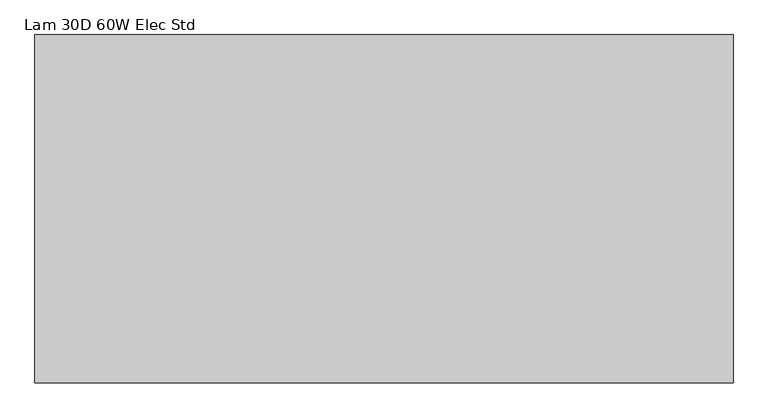
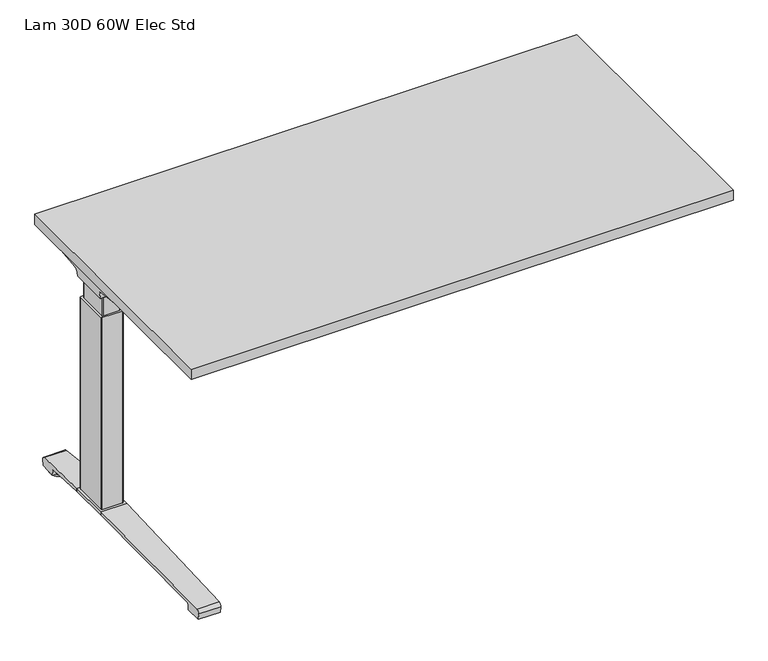
"""IFC4 building model written with IfcOpenShell, lengths in millimetres: furniture geometry, Lam 30D 60W Elec Std."""

from ifc_helpers import new_model, si_unit, point, frame, frame_2d, origin, place, context, project, spatial, polyline, circle_curve, ellipse_curve, trimmed, segment, composite_curve, outline, extrude, source, transform, mapped, element, save
from ifc_brep_helpers import plane_surface, cylinder_surface, revolved_surface, advanced_brep


def lam_30d_60w_elec_std_a6111f23(model_context):
    return source(origin(), model_context, "Body", "SolidModel", [
        extrude(outline(polyline([(735.076, 366.776), (735.076, -366.776), (-735.076, -366.776), (-735.076, 366.776), (735.076, 366.776)])), frame((0.0, 0.0, 707.009), z_axis=(0.0, 0.0, 1.0), x_axis=(1.0, 0.0, 0.0)), (0.0, 0.0, 1.0), 29.591),
        advanced_brep(
        [(-718.7406297, 194.2506702, 658.5915733), (-553.0122138, 194.2506702, 658.5915733), (-567.3924181, 192.0222169, 655.9442785), (-716.2518591, 192.0222169, 655.9442785), (-718.9625278, 194.259656, 658.8276054), (-721.3619089, 194.9036827, 675.7443054), (-538.5773962, 194.9036827, 675.7443054), (-538.5773962, 194.5556965, 666.6037253), (-541.4075093, 194.4745058, 664.4710821), (-541.5501644, 194.3968397, 662.4310191), (-722.2185362, 200.3707181, 681.7839076), (-538.5773962, 200.3707181, 681.7839076), (-724.7393767, 314.9419225, 699.5569507), (-660.5243442, 314.9419225, 699.5569507), (-538.5773962, 234.1372, 687.0219877), (-724.8128152, 318.7179275, 700.0747243), (-666.2229255, 318.7179275, 700.0747243), (-725.4871296, 320.2281839, 704.8289399), (-723.7021288, 317.6512888, 707.009), (-664.6132011, 317.6512888, 707.009), (-725.4871296, -38.7453839, 704.8289399), (-724.8128152, -37.2351275, 700.0747243), (-666.2229255, -37.2351275, 700.0747243), (-664.6132011, -36.1684888, 707.009), (-723.7021288, -36.1684888, 707.009), (-724.7393767, -33.4591225, 699.5569507), (-660.5243442, -33.4591225, 699.5569507), (-722.2185362, 81.1120819, 681.7839076), (-538.5773962, 81.1120819, 681.7839076), (-538.5773962, 47.3456, 687.0219877), (-721.3619089, 86.5791173, 675.7443054), (-538.5773962, 86.5791173, 675.7443054), (-718.9625278, 87.223144, 658.8276054), (-718.7406297, 87.2321298, 658.5915733), (-553.0122138, 87.2321298, 658.5915733), (-541.5501644, 87.0859603, 662.4310191), (-541.4075093, 87.0082942, 664.4710821), (-538.5773962, 86.9271035, 666.6037253), (-716.2518591, 89.4605831, 655.9442785), (-567.3924181, 89.4605831, 655.9442785), (-538.5773962, 47.3456, 707.009), (-538.5773962, 234.1372, 707.009)],
        [
            (0, 1),
            (1, 2, ellipse_curve(frame((-577.2936465, 271.2884009, 750.1086722), z_axis=(0.0, 0.7650318638532662, -0.6439924279750482), x_axis=(0.0, 0.6439924279750482, 0.7650318638532662)), 123.7641411, 94.6835116)),
            (2, 3),
            (3, 0),
            (0, 4),
            (4, 5),
            (5, 6),
            (6, 7),
            (7, 8),
            (8, 9),
            (9, 1, ellipse_curve(frame((-577.2936465, 197.7347686, 750.1086722), z_axis=(0.0, 0.999276106683639, -0.03804290487316255), x_axis=(0.0, 0.03804290487316397, 0.999276106683639)), 94.752102, 94.6835116)),
            (5, 10, ellipse_curve(frame((-721.3119691, 201.3622409, 675.3922075), z_axis=(-0.990090671484964, 0.0, -0.14042956326377007), x_axis=(-0.1404295632637696, 0.0, 0.990090671484964)), 6.5328852, 6.4681487)),
            (10, 11),
            (11, 6, circle_curve(frame((-538.5773962, 201.3622409, 675.3922075), z_axis=(1.0, 0.0, 0.0), x_axis=(0.0, 1.0, 0.0)), 6.4681487)),
            (10, 12),
            (12, 13),
            (13, 14),
            (14, 11),
            (12, 15),
            (15, 16),
            (16, 13),
            (15, 17, ellipse_curve(frame((-725.2730772, 316.7408111, 703.3197755), z_axis=(0.990090671484964, 0.0, 0.14042956326377007), x_axis=(0.1404295632637696, 0.0, -0.990090671484964)), 3.8379455, 3.7999141)),
            (17, 18, ellipse_curve(frame((-726.722811, 316.7408111, 703.3197755), z_axis=(0.7737284588433301, 0.0, -0.6335173809580328), x_axis=(0.6335173809580328, 0.0, 0.77372845884333)), 4.9111727, 3.7999141)),
            (18, 19),
            (19, 16, ellipse_curve(frame((-663.239148, 316.7408111, 703.3197755), z_axis=(-0.5523637579768186, -0.8336031902972341, 0.0), x_axis=(0.8336031902972341, -0.5523637579768187, 0.0)), 6.8793689, 3.7999141)),
            (20, 21, ellipse_curve(frame((-725.2730772, -35.2580111, 703.3197755), z_axis=(0.990090671484964, 0.0, 0.14042956326377007), x_axis=(0.1404295632637696, 0.0, -0.990090671484964)), 3.8379455, 3.7999141)),
            (21, 22),
            (22, 23, ellipse_curve(frame((-663.239148, -35.2580111, 703.3197755), z_axis=(-0.552363757975039, 0.8336031902984132, 0.0), x_axis=(0.8336031902984132, 0.552363757975039, 0.0)), 6.8793689, 3.7999141)),
            (23, 24),
            (24, 20, ellipse_curve(frame((-726.722811, -35.2580111, 703.3197755), z_axis=(0.7737284588433301, 0.0, -0.6335173809580328), x_axis=(0.6335173809580328, 0.0, 0.77372845884333)), 4.9111727, 3.7999141)),
            (21, 25),
            (25, 26),
            (26, 22),
            (27, 28),
            (28, 29),
            (29, 26),
            (25, 27),
            (27, 30, ellipse_curve(frame((-721.3119691, 80.1205591, 675.3922075), z_axis=(-0.990090671484964, 0.0, -0.14042956326377007), x_axis=(-0.1404295632637696, 0.0, 0.990090671484964)), 6.5328852, 6.4681487)),
            (30, 31),
            (31, 28, circle_curve(frame((-538.5773962, 80.1205591, 675.3922075), z_axis=(1.0, 0.0, 0.0), x_axis=(0.0, 1.0, 0.0)), 6.4681487)),
            (30, 32),
            (32, 33),
            (33, 34),
            (34, 35, ellipse_curve(frame((-577.2936465, 83.7480314, 750.1086722), z_axis=(0.0, -0.9992761066836363, -0.03804290487323539), x_axis=(0.0, 0.03804290487323121, -0.9992761066836364)), 94.752102, 94.6835116)),
            (35, 36),
            (36, 37),
            (37, 31),
            (33, 38),
            (38, 39),
            (39, 34, ellipse_curve(frame((-577.2936465, 10.1943991, 750.1086722), z_axis=(0.0, -0.7650318638534733, -0.643992427974802), x_axis=(0.0, 0.643992427974802, -0.7650318638534732)), 123.7641411, 94.6835116)),
            (4, 32),
            (20, 17),
            (24, 18),
            (23, 40),
            (40, 41),
            (41, 19),
            (37, 7),
            (14, 41),
            (40, 29),
            (36, 8),
            (35, 9),
            (39, 2),
            (38, 3),
        ],
        [
            plane_surface(frame((-741.7773962, 192.0222169, 655.9442785), z_axis=(0.0, 0.7650318638532662, -0.6439924279750482), x_axis=(1.0, 0.0, 0.0))),
            plane_surface(frame((-741.7773962, 194.2506702, 658.5915733), z_axis=(0.0, 0.999276106683639, -0.03804290487316255), x_axis=(1.0, 0.0, 0.0))),
            revolved_surface(polyline([(-722.2293793154884, 207.8303896, 675.3922075), (-538.5773962, 207.8303896, 675.3922075)]), (-741.7773962, 201.3622409, 675.3922075), (-1.0, 0.0, 0.0)),
            plane_surface(frame((-741.7773962, 200.3707181, 681.7839076), z_axis=(0.0, 0.153293135871396, -0.9881807600306302), x_axis=(1.0, 0.0, 0.0))),
            plane_surface(frame((-741.7773962, 314.9419225, 699.5569507), z_axis=(0.0, 0.13585085469026903, -0.9907292996979162), x_axis=(1.0, 0.0, 0.0))),
            cylinder_surface(frame((-741.7773962, 316.7408111, 703.3197755), z_axis=(1.0, 0.0, 0.0), x_axis=(0.0, 1.0, 0.0)), 3.7999141),
            cylinder_surface(frame((-741.7773962, -35.2580111, 703.3197755), z_axis=(1.0, 0.0, 0.0), x_axis=(0.0, 1.0, 0.0)), 3.7999141),
            plane_surface(frame((-741.7773962, -37.2351275, 700.0747243), z_axis=(0.0, -0.13585085468791205, -0.9907292996982394), x_axis=(1.0, 0.0, 0.0))),
            plane_surface(frame((-741.7773962, -33.4591225, 699.5569507), z_axis=(0.0, -0.1532931358714066, -0.9881807600306285), x_axis=(1.0, 0.0, 0.0))),
            revolved_surface(polyline([(-722.2293793154884, 86.5887078, 675.3922075), (-538.5773962, 86.5887078, 675.3922075)]), (-741.7773962, 80.1205591, 675.3922075), (-1.0, 0.0, 0.0)),
            plane_surface(frame((-741.7773962, 86.5791173, 675.7443054), z_axis=(0.0, -0.9992761066836363, -0.03804290487323539), x_axis=(1.0, 0.0, 0.0))),
            plane_surface(frame((-741.7773962, 87.2321298, 658.5915733), z_axis=(0.0, -0.7650318638534733, -0.643992427974802), x_axis=(1.0, 0.0, 0.0))),
            plane_surface(frame((-718.9625278, 331.2414, 658.8276054), z_axis=(-0.990090671484964, 0.0, -0.14042956326377007), x_axis=(0.0, -1.0, 0.0))),
            plane_surface(frame((-725.4871296, 331.2414, 704.8289399), z_axis=(-0.7737284588433301, 0.0, 0.6335173809580328), x_axis=(0.0, -1.0, 0.0))),
            plane_surface(frame((-723.7021288, 331.2414, 707.009), z_axis=(0.0, 0.0, 1.0), x_axis=(0.0, -1.0, 0.0))),
            plane_surface(frame((-538.5773962, 331.2414, 707.009), z_axis=(1.0, 0.0, 0.0), x_axis=(0.0, -1.0, 0.0))),
            plane_surface(frame((-538.5773962, 331.2414, 666.6037253), z_axis=(0.6018150231516033, 0.0, -0.7986355100476283), x_axis=(0.0, -1.0, 0.0))),
            plane_surface(frame((-541.4075093, 331.2414, 664.4710821), z_axis=(0.9975640502600401, 0.0, -0.06975647374103827), x_axis=(0.0, -1.0, 0.0))),
            cylinder_surface(frame((-577.2936465, 331.2414, 750.1086722), z_axis=(0.0, 1.0, 0.0), x_axis=(1.0, 0.0, 0.0)), 94.6835116),
            plane_surface(frame((-567.3924181, 331.2414, 655.9442785), z_axis=(0.0, 0.0, -1.0), x_axis=(0.0, -1.0, 0.0))),
            plane_surface(frame((-716.2518591, 331.2414, 655.9442785), z_axis=(-0.728584606419653, 0.0, -0.6849558170337118), x_axis=(0.0, -1.0, 0.0))),
            plane_surface(frame((-685.1228017, 331.2414, 707.009), z_axis=(0.5523637579768186, 0.8336031902972341, 0.0), x_axis=(0.0, 0.0, -1.0))),
            plane_surface(frame((-538.5773962, 47.3456, 707.009), z_axis=(0.552363757975039, -0.8336031902984132, 0.0), x_axis=(0.0, 0.0, -1.0))),
        ],
        [
            (0, [[1, 2, 3, 4]]),
            (1, [[-1, 5, 6, 7, 8, 9, 10, 11]]),
            (2, [[-7, 12, 13, 14]]),
            (3, [[-13, 15, 16, 17, 18]]),
            (4, [[19, 20, 21, -16]]),
            (5, [[22, 23, 24, 25, -20]]),
            (6, [[26, 27, 28, 29, 30]]),
            (7, [[31, 32, 33, -27]]),
            (8, [[34, 35, 36, -32, 37]]),
            (9, [[-34, 38, 39, 40]]),
            (10, [[-39, 41, 42, 43, 44, 45, 46, 47]]),
            (11, [[-43, 48, 49, 50]]),
            (12, [[51, -41, -38, -37, -31, -26, 52, -22, -19, -15, -12, -6]]),
            (13, [[-52, -30, 53, -23]]),
            (14, [[-53, -29, 54, 55, 56, -24]]),
            (15, [[57, -8, -14, -18, 58, -55, 59, -35, -40, -47]]),
            (16, [[-57, -46, 60, -9]]),
            (17, [[-60, -45, 61, -10]]),
            (18, [[-61, -44, -50, 62, -2, -11]]),
            (19, [[-62, -49, 63, -3]]),
            (20, [[-51, -5, -4, -63, -48, -42]]),
            (21, [[-56, -58, -17, -21, -25]]),
            (22, [[-54, -28, -33, -36, -59]]),
        ],
    ),
        advanced_brep(
        [(553.0122138, 194.2506702, 658.5915733), (718.7406297, 194.2506702, 658.5915733), (716.2518591, 192.0222169, 655.9442785), (567.3924181, 192.0222169, 655.9442785), (541.5501644, 194.3968397, 662.4310191), (541.4075093, 194.4745058, 664.4710821), (538.7619573, 194.5504018, 666.4646485), (538.7619573, 194.9036827, 675.7443054), (721.3619089, 194.9036827, 675.7443054), (718.9625278, 194.259656, 658.8276054), (538.7619573, 200.3707181, 681.7839076), (722.2185362, 200.3707181, 681.7839076), (538.7619573, 234.1303953, 687.0209321), (660.5570453, 314.9419225, 699.5569507), (724.7393767, 314.9419225, 699.5569507), (724.8128152, 318.7179275, 700.0747243), (666.2480509, 318.7179275, 700.0747243), (725.4871296, 320.2281839, 704.8289399), (664.6404665, 317.6512888, 707.009), (723.7021288, 317.6512888, 707.009), (724.8128152, -37.2351275, 700.0747243), (725.4871296, -38.7453839, 704.8289399), (723.7021288, -36.1684888, 707.009), (664.6404665, -36.1684888, 707.009), (666.2480509, -37.2351275, 700.0747243), (724.7393767, -33.4591225, 699.5569507), (660.5570453, -33.4591225, 699.5569507), (538.7619573, 81.1120819, 681.7839076), (722.2185362, 81.1120819, 681.7839076), (538.7619573, 47.3524047, 687.0209321), (538.7619573, 86.5791173, 675.7443054), (721.3619089, 86.5791173, 675.7443054), (538.7619573, 86.9323982, 666.4646485), (541.4075093, 87.0082942, 664.4710821), (541.5501644, 87.0859603, 662.4310191), (553.0122138, 87.2321298, 658.5915733), (718.7406297, 87.2321298, 658.5915733), (718.9625278, 87.223144, 658.8276054), (567.3924181, 89.4605831, 655.9442785), (716.2518591, 89.4605831, 655.9442785), (538.7619573, 234.1303953, 707.009), (538.7619573, 47.3524047, 707.009)],
        [
            (0, 1),
            (1, 2),
            (2, 3),
            (3, 0, ellipse_curve(frame((577.2936465, 271.2884009, 750.1086722), z_axis=(0.0, 0.7650318638532565, -0.6439924279750596), x_axis=(0.0, -0.6439924279750596, -0.7650318638532564)), 123.7641411, 94.6835116)),
            (0, 4, ellipse_curve(frame((577.2936465, 197.7347686, 750.1086722), z_axis=(0.0, 0.9992761066836392, -0.03804290487315862), x_axis=(0.0, -0.03804290487315623, -0.9992761066836393)), 94.752102, 94.6835116)),
            (4, 5),
            (5, 6),
            (6, 7),
            (7, 8),
            (8, 9),
            (9, 1),
            (7, 10, circle_curve(frame((538.7619573, 201.3622409, 675.3922075), z_axis=(-1.0, 0.0, 0.0), x_axis=(0.0, 1.0, 0.0)), 6.4681487)),
            (10, 11),
            (11, 8, ellipse_curve(frame((721.3119691, 201.3622409, 675.3922075), z_axis=(0.9900906714849659, 0.0, -0.1404295632637567), x_axis=(-0.1404295632637562, 0.0, -0.9900906714849659)), 6.5328852, 6.4681487)),
            (10, 12),
            (12, 13),
            (13, 14),
            (14, 11),
            (15, 14),
            (13, 16),
            (16, 15),
            (17, 15, ellipse_curve(frame((725.2730772, 316.7408111, 703.3197755), z_axis=(-0.9900906714849659, 0.0, 0.1404295632637567), x_axis=(0.1404295632637562, 0.0, 0.9900906714849659)), 3.8379455, 3.7999141)),
            (16, 18, ellipse_curve(frame((663.26824, 316.7408111, 703.3197755), z_axis=(0.5528743936295484, -0.8332646067539167, 0.0), x_axis=(0.8332646067539166, 0.5528743936295484, 0.0)), 6.8730151, 3.7999141)),
            (18, 19),
            (19, 17, ellipse_curve(frame((726.722811, 316.7408111, 703.3197755), z_axis=(-0.7737284588399557, 0.0, -0.633517380962154), x_axis=(0.6335173809621538, 0.0, -0.7737284588399556)), 4.9111727, 3.7999141)),
            (20, 21, ellipse_curve(frame((725.2730772, -35.2580111, 703.3197755), z_axis=(-0.9900906714849659, 0.0, 0.1404295632637567), x_axis=(0.1404295632637562, 0.0, 0.9900906714849659)), 3.8379455, 3.7999141)),
            (21, 22, ellipse_curve(frame((726.722811, -35.2580111, 703.3197755), z_axis=(-0.7737284588399557, 0.0, -0.633517380962154), x_axis=(0.6335173809621538, 0.0, -0.7737284588399556)), 4.9111727, 3.7999141)),
            (22, 23),
            (23, 24, ellipse_curve(frame((663.26824, -35.2580111, 703.3197755), z_axis=(0.5528743936295326, 0.833264606753927, 0.0), x_axis=(0.833264606753927, -0.5528743936295326, 0.0)), 6.8730151, 3.7999141)),
            (24, 20),
            (25, 20),
            (24, 26),
            (26, 25),
            (27, 28),
            (28, 25),
            (26, 29),
            (29, 27),
            (27, 30, circle_curve(frame((538.7619573, 80.1205591, 675.3922075), z_axis=(-1.0, 0.0, 0.0), x_axis=(0.0, 1.0, 0.0)), 6.4681487)),
            (30, 31),
            (31, 28, ellipse_curve(frame((721.3119691, 80.1205591, 675.3922075), z_axis=(0.9900906714849659, 0.0, -0.1404295632637567), x_axis=(-0.1404295632637562, 0.0, -0.9900906714849659)), 6.5328852, 6.4681487)),
            (30, 32),
            (32, 33),
            (33, 34),
            (34, 35, ellipse_curve(frame((577.2936465, 83.7480314, 750.1086722), z_axis=(0.0, -0.9992761066836363, -0.03804290487323539), x_axis=(0.0, -0.03804290487323121, 0.9992761066836364)), 94.752102, 94.6835116)),
            (35, 36),
            (36, 37),
            (37, 31),
            (35, 38, ellipse_curve(frame((577.2936465, 10.1943991, 750.1086722), z_axis=(0.0, -0.7650318638534733, -0.643992427974802), x_axis=(0.0, -0.643992427974802, 0.7650318638534732)), 123.7641411, 94.6835116)),
            (38, 39),
            (39, 36),
            (37, 9),
            (17, 21),
            (19, 22),
            (18, 40),
            (40, 41),
            (41, 23),
            (6, 32),
            (29, 41),
            (40, 12),
            (5, 33),
            (4, 34),
            (3, 38),
            (2, 39),
        ],
        [
            plane_surface(frame((538.7619573, 192.0222169, 655.9442785), z_axis=(0.0, 0.7650318638532565, -0.6439924279750596), x_axis=(1.0, 0.0, 0.0))),
            plane_surface(frame((538.7619573, 194.2506702, 658.5915733), z_axis=(0.0, 0.9992761066836392, -0.03804290487315862), x_axis=(1.0, 0.0, 0.0))),
            revolved_surface(polyline([(538.7619573, 207.8303896, 675.3922075), (722.2293793154884, 207.8303896, 675.3922075)]), (538.7619573, 201.3622409, 675.3922075), (-1.0, 0.0, 0.0)),
            plane_surface(frame((538.7619573, 200.3707181, 681.7839076), z_axis=(0.0, 0.15329313587140309, -0.988180760030629), x_axis=(1.0, 0.0, 0.0))),
            plane_surface(frame((538.7619573, 314.9419225, 699.5569507), z_axis=(0.0, 0.1358508546900816, -0.9907292996979419), x_axis=(1.0, 0.0, 0.0))),
            cylinder_surface(frame((538.7619573, 316.7408111, 703.3197755), z_axis=(1.0, 0.0, 0.0), x_axis=(0.0, 1.0, 0.0)), 3.7999141),
            cylinder_surface(frame((538.7619573, -35.2580111, 703.3197755), z_axis=(1.0, 0.0, 0.0), x_axis=(0.0, 1.0, 0.0)), 3.7999141),
            plane_surface(frame((538.7619573, -37.2351275, 700.0747243), z_axis=(0.0, -0.1358508546877776, -0.9907292996982578), x_axis=(1.0, 0.0, 0.0))),
            plane_surface(frame((538.7619573, -33.4591225, 699.5569507), z_axis=(0.0, -0.15329313587141113, -0.9881807600306277), x_axis=(1.0, 0.0, 0.0))),
            revolved_surface(polyline([(538.7619573, 86.5887078, 675.3922075), (722.2293793154884, 86.5887078, 675.3922075)]), (538.7619573, 80.1205591, 675.3922075), (-1.0, 0.0, 0.0)),
            plane_surface(frame((538.7619573, 86.5791173, 675.7443054), z_axis=(0.0, -0.9992761066836363, -0.03804290487323539), x_axis=(1.0, 0.0, 0.0))),
            plane_surface(frame((538.7619573, 87.2321298, 658.5915733), z_axis=(0.0, -0.7650318638534733, -0.643992427974802), x_axis=(1.0, 0.0, 0.0))),
            plane_surface(frame((718.9625278, -49.7586, 658.8276054), z_axis=(0.9900906714849659, 0.0, -0.1404295632637567), x_axis=(0.0, 1.0, 0.0))),
            plane_surface(frame((725.4871296, -49.7586, 704.8289399), z_axis=(0.7737284588399557, 0.0, 0.633517380962154), x_axis=(0.0, 1.0, 0.0))),
            plane_surface(frame((723.7021288, -49.7586, 707.009), z_axis=(0.0, 0.0, 1.0), x_axis=(0.0, 1.0, 0.0))),
            plane_surface(frame((538.7619573, -49.7586, 707.009), z_axis=(-1.0, 0.0, 0.0), x_axis=(0.0, 1.0, 0.0))),
            plane_surface(frame((538.7619573, -49.7586, 666.4646485), z_axis=(-0.6018150231540825, 0.0, -0.7986355100457599), x_axis=(0.0, 1.0, 0.0))),
            plane_surface(frame((541.4075093, -49.7586, 664.4710821), z_axis=(-0.9975640502598242, 0.0, -0.06975647374412697), x_axis=(0.0, 1.0, 0.0))),
            cylinder_surface(frame((577.2936465, -49.7586, 750.1086722), z_axis=(0.0, -1.0, 0.0), x_axis=(-1.0, 0.0, 0.0)), 94.6835116),
            plane_surface(frame((567.3924181, -49.7586, 655.9442785), z_axis=(0.0, 0.0, -1.0), x_axis=(0.0, 1.0, 0.0))),
            plane_surface(frame((716.2518591, -49.7586, 655.9442785), z_axis=(0.7285846064222525, 0.0, -0.6849558170309465), x_axis=(0.0, 1.0, 0.0))),
            plane_surface(frame((538.7619573, 234.1303953, 707.009), z_axis=(-0.5528743936295484, 0.8332646067539167, 0.0), x_axis=(0.0, 0.0, -1.0))),
            plane_surface(frame((685.1228017, -49.7586, 707.009), z_axis=(-0.5528743936295326, -0.833264606753927, 0.0), x_axis=(0.0, 0.0, -1.0))),
        ],
        [
            (0, [[1, 2, 3, 4]]),
            (1, [[-1, 5, 6, 7, 8, 9, 10, 11]]),
            (2, [[-9, 12, 13, 14]]),
            (3, [[-13, 15, 16, 17, 18]]),
            (4, [[19, -17, 20, 21]]),
            (5, [[22, -21, 23, 24, 25]]),
            (6, [[26, 27, 28, 29, 30]]),
            (7, [[31, -30, 32, 33]]),
            (8, [[34, 35, -33, 36, 37]]),
            (9, [[-34, 38, 39, 40]]),
            (10, [[-39, 41, 42, 43, 44, 45, 46, 47]]),
            (11, [[-45, 48, 49, 50]]),
            (12, [[51, -10, -14, -18, -19, -22, 52, -26, -31, -35, -40, -47]]),
            (13, [[-52, -25, 53, -27]]),
            (14, [[-53, -24, 54, 55, 56, -28]]),
            (15, [[57, -41, -38, -37, 58, -55, 59, -15, -12, -8]]),
            (16, [[-57, -7, 60, -42]]),
            (17, [[-60, -6, 61, -43]]),
            (18, [[-61, -5, -4, 62, -48, -44]]),
            (19, [[-62, -3, 63, -49]]),
            (20, [[-51, -46, -50, -63, -2, -11]]),
            (21, [[-54, -23, -20, -16, -59]]),
            (22, [[-56, -58, -36, -32, -29]]),
        ],
    ),
        advanced_brep(
        [(-538.5773962, 219.4245697, 701.7794894), (-538.5773962, 221.1889242, 704.0075511), (-538.5773962, 232.1695225, 704.0075511), (-538.5773962, 232.8996919, 701.4093085), (-538.5773962, 211.4733108, 671.8462148), (-538.5773962, 194.0724914, 663.2452863), (-538.5773962, 87.2846156, 663.2452863), (-538.5773962, 69.6568217, 672.2997482), (-538.5773962, 48.3221138, 702.0706054), (-538.5773962, 49.9606766, 704.1266572), (-538.5773962, 60.1758098, 704.1266572), (-538.5773962, 62.0467848, 701.7794894), (-538.5773962, 61.3055637, 701.2423822), (-538.5773962, 59.7353363, 703.2122572), (-538.5773962, 50.0567238, 703.2122572), (-538.5773962, 49.2508351, 702.3444366), (-538.5773962, 70.4000744, 672.8323858), (-538.5773962, 87.2846156, 664.1598536), (-538.5773962, 194.0724914, 664.1596863), (-538.5773962, 210.73984, 672.3923713), (-538.5773962, 232.0935627, 701.8552144), (-538.5773962, 231.8362942, 703.0931511), (-538.5773962, 221.631209, 703.0931511), (-538.5773962, 220.1656719, 701.2424419), (538.7619573, 219.4245697, 701.7794894), (538.7619573, 220.1656719, 701.2424419), (538.7619573, 221.631209, 703.0931511), (538.7619573, 231.8362942, 703.0931511), (538.7619573, 232.0935627, 701.8552144), (538.7619573, 210.73984, 672.3923713), (538.7619573, 194.0724914, 664.1596863), (538.7619573, 87.2846155, 664.1596863), (538.7619573, 70.4000744, 672.8323858), (538.7619573, 49.2508351, 702.3444366), (538.7619573, 50.0567238, 703.2122572), (538.7619573, 59.7353363, 703.2122572), (538.7619573, 61.3055637, 701.2423822), (538.7619573, 62.0467848, 701.7794894), (538.7619573, 60.1758098, 704.1266572), (538.7619573, 49.9606766, 704.1266572), (538.7619573, 48.3221138, 702.0706054), (538.7619573, 69.6568217, 672.2997482), (538.7619573, 87.2846156, 663.2454536), (538.7619573, 194.0724914, 663.2452863), (538.7619573, 211.4733108, 671.8462148), (538.7619573, 232.8996919, 701.4093085), (538.7619573, 232.1695225, 704.0075511), (538.7619573, 221.1889242, 704.0075511)],
        [
            (0, 1),
            (1, 2),
            (2, 3, circle_curve(frame((-538.5773962, 230.9519576, 702.2636667), z_axis=(-1.0, 0.0, 0.0), x_axis=(0.0, 1.0, 0.0)), 2.1268749)),
            (3, 4),
            (4, 5, circle_curve(frame((-538.5773962, 194.0724914, 685.1478336), z_axis=(-1.0, 0.0, 0.0), x_axis=(0.0, 1.0, 0.0)), 21.9025472)),
            (5, 6),
            (6, 7, circle_curve(frame((-538.5773962, 87.2846156, 684.932365), z_axis=(-1.0, 0.0, 0.0), x_axis=(0.0, 1.0, 0.0)), 21.6869114)),
            (7, 8),
            (8, 9, circle_curve(frame((-538.5773962, 50.3224635, 702.1573833), z_axis=(-1.0, 0.0, 0.0), x_axis=(0.0, 1.0, 0.0)), 2.0022311)),
            (9, 10),
            (10, 11),
            (11, 12),
            (12, 13),
            (13, 14),
            (14, 15, circle_curve(frame((-538.5773962, 50.3224635, 702.1573833), z_axis=(1.0, 0.0, 0.0), x_axis=(0.0, 1.0, 0.0)), 1.0878311)),
            (15, 16),
            (16, 17, circle_curve(frame((-538.5773962, 87.2846156, 684.932365), z_axis=(1.0, 0.0, 0.0), x_axis=(0.0, 1.0, 0.0)), 20.7725114)),
            (17, 18),
            (18, 19, circle_curve(frame((-538.5773962, 194.0724914, 685.1478336), z_axis=(1.0, 0.0, 0.0), x_axis=(0.0, 1.0, 0.0)), 20.9881473)),
            (19, 20),
            (20, 21, circle_curve(frame((-538.5773962, 230.9519576, 702.2636667), z_axis=(1.0, 0.0, 0.0), x_axis=(0.0, 1.0, 0.0)), 1.2124749)),
            (21, 22),
            (22, 23),
            (23, 0),
            (24, 25),
            (25, 26),
            (26, 27),
            (27, 28, circle_curve(frame((538.7619573, 230.9519576, 702.2636667), z_axis=(-1.0, 0.0, 0.0), x_axis=(0.0, 1.0, 0.0)), 1.2124749)),
            (28, 29),
            (29, 30, circle_curve(frame((538.7619573, 194.0724914, 685.1478336), z_axis=(-1.0, 0.0, 0.0), x_axis=(0.0, 1.0, 0.0)), 20.9881473)),
            (30, 31),
            (31, 32, circle_curve(frame((538.7619573, 87.2846156, 684.932365), z_axis=(-1.0, 0.0, 0.0), x_axis=(0.0, 1.0, 0.0)), 20.7725114)),
            (32, 33),
            (33, 34, circle_curve(frame((538.7619573, 50.3224635, 702.1573833), z_axis=(-1.0, 0.0, 0.0), x_axis=(0.0, 1.0, 0.0)), 1.0878311)),
            (34, 35),
            (35, 36),
            (36, 37),
            (37, 38),
            (38, 39),
            (39, 40, circle_curve(frame((538.7619573, 50.3224635, 702.1573833), z_axis=(1.0, 0.0, 0.0), x_axis=(0.0, 1.0, 0.0)), 2.0022311)),
            (40, 41),
            (41, 42, circle_curve(frame((538.7619573, 87.2846156, 684.932365), z_axis=(1.0, 0.0, 0.0), x_axis=(0.0, 1.0, 0.0)), 21.6869114)),
            (42, 43),
            (43, 44, circle_curve(frame((538.7619573, 194.0724914, 685.1478336), z_axis=(1.0, 0.0, 0.0), x_axis=(0.0, 1.0, 0.0)), 21.9025472)),
            (44, 45),
            (45, 46, circle_curve(frame((538.7619573, 230.9519576, 702.2636667), z_axis=(1.0, 0.0, 0.0), x_axis=(0.0, 1.0, 0.0)), 2.1268749)),
            (46, 47),
            (47, 24),
            (0, 24),
            (47, 1),
            (46, 2),
            (45, 3),
            (44, 4),
            (43, 5),
            (42, 6),
            (41, 7),
            (40, 8),
            (39, 9),
            (38, 10),
            (37, 11),
            (36, 12),
            (35, 13),
            (34, 14),
            (33, 15),
            (32, 16),
            (31, 17),
            (30, 18),
            (29, 19),
            (28, 20),
            (27, 21),
            (26, 22),
            (25, 23),
        ],
        [
            plane_surface(frame((-538.5773962, 140.7414, 707.009), z_axis=(-1.0, 0.0, 0.0), x_axis=(0.0, 0.0, 1.0))),
            plane_surface(frame((538.7619573, 140.7414, 707.009), z_axis=(1.0, 0.0, 0.0), x_axis=(0.0, 0.0, 1.0))),
            plane_surface(frame((-538.5773962, 219.4245697, 701.7794894), z_axis=(0.0, -0.7839649337165058, 0.6208051084703434), x_axis=(1.0, 0.0, 0.0))),
            plane_surface(frame((-538.5773962, 221.1889242, 704.0075511), z_axis=(0.0, 0.0, 1.0), x_axis=(1.0, 0.0, 0.0))),
            cylinder_surface(frame((-538.5773962, 230.9519576, 702.2636667), z_axis=(-1.0, 0.0, 0.0), x_axis=(0.0, 1.0, 0.0)), 2.1268749),
            plane_surface(frame((-538.5773962, 232.8996919, 701.4093085), z_axis=(0.0, 0.8096997445281038, -0.586844377762217), x_axis=(1.0, 0.0, 0.0))),
            cylinder_surface(frame((-538.5773962, 194.0724914, 685.1478336), z_axis=(-1.0, 0.0, 0.0), x_axis=(0.0, 1.0, 0.0)), 21.9025472),
            plane_surface(frame((-538.5773962, 194.0724914, 663.2452863), z_axis=(0.0, 0.0, -1.0), x_axis=(1.0, 0.0, 0.0))),
            cylinder_surface(frame((-538.5773962, 87.2846156, 684.932365), z_axis=(-1.0, 0.0, 0.0), x_axis=(0.0, 1.0, 0.0)), 21.6869114),
            plane_surface(frame((-538.5773962, 69.6568217, 672.2997482), z_axis=(0.0, -0.8128309997561537, -0.5824995844079305), x_axis=(1.0, 0.0, 0.0))),
            cylinder_surface(frame((-538.5773962, 50.3224635, 702.1573833), z_axis=(-1.0, 0.0, 0.0), x_axis=(0.0, 1.0, 0.0)), 2.0022311),
            plane_surface(frame((-538.5773962, 49.9606766, 704.1266572), z_axis=(0.0, 0.0, 1.0), x_axis=(1.0, 0.0, 0.0))),
            plane_surface(frame((-538.5773962, 60.1758098, 704.1266572), z_axis=(0.0, 0.7819660587237972, 0.6233210112004657), x_axis=(1.0, 0.0, 0.0))),
            plane_surface(frame((-538.5773962, 62.0467848, 701.7794894), z_axis=(0.0, 0.5867684336468096, -0.8097547809526473), x_axis=(1.0, 0.0, 0.0))),
            plane_surface(frame((-538.5773962, 61.3055637, 701.2423822), z_axis=(0.0, -0.7819660587239206, -0.6233210112003109), x_axis=(1.0, 0.0, 0.0))),
            plane_surface(frame((-538.5773962, 59.7353363, 703.2122572), z_axis=(0.0, 0.0, -1.0), x_axis=(1.0, 0.0, 0.0))),
            revolved_surface(polyline([(538.7619573000001, 51.4102946, 702.1573833), (-538.5773962, 51.4102946, 702.1573833)]), (-538.5773962, 50.3224635, 702.1573833), (1.0, 0.0, 0.0)),
            plane_surface(frame((-538.5773962, 49.2508351, 702.3444366), z_axis=(0.0, 0.8128309996716102, 0.582499584525904), x_axis=(1.0, 0.0, 0.0))),
            revolved_surface(polyline([(538.7619573000001, 108.057127, 684.932365), (-538.5773962, 108.057127, 684.932365)]), (-538.5773962, 87.2846156, 684.932365), (1.0, 0.0, 0.0)),
            plane_surface(frame((-538.5773962, 87.2846155, 664.1596863), z_axis=(0.0, 0.0, 1.0), x_axis=(1.0, 0.0, 0.0))),
            revolved_surface(polyline([(538.7619573000001, 215.0606387, 685.1478336), (-538.5773962, 215.0606387, 685.1478336)]), (-538.5773962, 194.0724914, 685.1478336), (1.0, 0.0, 0.0)),
            plane_surface(frame((-538.5773962, 210.73984, 672.3923713), z_axis=(0.0, -0.8096997449536107, 0.5868443771751228), x_axis=(1.0, 0.0, 0.0))),
            revolved_surface(polyline([(538.7619573000001, 232.16443249999998, 702.2636667), (-538.5773962, 232.16443249999998, 702.2636667)]), (-538.5773962, 230.9519576, 702.2636667), (1.0, 0.0, 0.0)),
            plane_surface(frame((-538.5773962, 231.8362942, 703.0931511), z_axis=(0.0, 0.0, -1.0), x_axis=(1.0, 0.0, 0.0))),
            plane_surface(frame((-538.5773962, 221.631209, 703.0931511), z_axis=(0.0, 0.7839649337164979, -0.6208051084703533), x_axis=(1.0, 0.0, 0.0))),
            plane_surface(frame((-538.5773962, 220.1656719, 701.2424419), z_axis=(0.0, -0.5867873637752554, -0.8097410633737715), x_axis=(1.0, 0.0, 0.0))),
        ],
        [
            (0, [[1, 2, 3, 4, 5, 6, 7, 8, 9, 10, 11, 12, 13, 14, 15, 16, 17, 18, 19, 20, 21, 22, 23, 24]]),
            (1, [[25, 26, 27, 28, 29, 30, 31, 32, 33, 34, 35, 36, 37, 38, 39, 40, 41, 42, 43, 44, 45, 46, 47, 48]]),
            (2, [[-1, 49, -48, 50]]),
            (3, [[-2, -50, -47, 51]]),
            (4, [[-3, -51, -46, 52]]),
            (5, [[-4, -52, -45, 53]]),
            (6, [[-5, -53, -44, 54]]),
            (7, [[-6, -54, -43, 55]]),
            (8, [[-7, -55, -42, 56]]),
            (9, [[-8, -56, -41, 57]]),
            (10, [[-9, -57, -40, 58]]),
            (11, [[-10, -58, -39, 59]]),
            (12, [[-11, -59, -38, 60]]),
            (13, [[-12, -60, -37, 61]]),
            (14, [[-13, -61, -36, 62]]),
            (15, [[-14, -62, -35, 63]]),
            (16, [[-15, -63, -34, 64]]),
            (17, [[-16, -64, -33, 65]]),
            (18, [[-17, -65, -32, 66]]),
            (19, [[-18, -66, -31, 67]]),
            (20, [[-19, -67, -30, 68]]),
            (21, [[-20, -68, -29, 69]]),
            (22, [[-21, -69, -28, 70]]),
            (23, [[-22, -70, -27, 71]]),
            (24, [[-23, -71, -26, 72]]),
            (25, [[-24, -72, -25, -49]]),
        ],
    ),
        extrude(outline(composite_curve([segment(polyline([(55.5056383, 705.3739712), (47.2253898, 705.3739712), (46.7140592, 704.3565876), (69.739753, 672.4872047)]), True, "CONTINUOUS"), segment(trimmed(circle_curve(frame_2d((87.8837814, 688.0741393)), 23.9198306), [point((69.739753, 672.4872047))], [point((87.8837814, 664.1543087))], True, "CARTESIAN"), True, "CONTINUOUS"), segment(polyline([(87.8837814, 664.1543087), (301.5718611, 664.1543087)]), True, "CONTINUOUS"), segment(trimmed(circle_curve(frame_2d((302.3659677, 686.2522042)), 22.1121593), [point((301.5718611, 664.1543087))], [point((320.2711793, 673.2771903))], True, "CARTESIAN"), True, "CONTINUOUS"), segment(polyline([(320.2711793, 673.2771903), (342.2234672, 703.5708273), (342.9639039, 703.0342821), (321.0116102, 672.740637)]), True, "CONTINUOUS"), segment(trimmed(circle_curve(frame_2d((302.3659677, 686.2522042)), 23.0265593), [point((321.0116102, 672.740637))], [point((301.555603, 663.2399087))], False, "CARTESIAN"), True, "CONTINUOUS"), segment(polyline([(301.555603, 663.2399087), (87.8837814, 663.2399087)]), True, "CONTINUOUS"), segment(trimmed(circle_curve(frame_2d((87.8837814, 688.0741393)), 24.8342306), [point((87.8837814, 663.2399087))], [point((69.0208769, 671.9208163))], False, "CARTESIAN"), True, "CONTINUOUS"), segment(polyline([(69.0208769, 671.9208163), (45.6477131, 704.2711252), (46.6615684, 706.2883712), (55.7445219, 706.2883712), (55.5056383, 705.3739712)]), True, "CONTINUOUS")], self_intersect=False)), frame((-538.5773962, 0.0, 0.0), z_axis=(1.0, 0.0, 0.0), x_axis=(0.0, 1.0, 0.0)), (0.0, 0.0, 1.0), 1077.3393535),
        advanced_brep(
        [(662.3283088, 185.4896497, 655.9442785), (659.5624028, 183.1364111, 655.9442785), (659.5624028, 98.3627858, 655.9442785), (662.6159671, 96.013387, 655.9442785), (705.9299922, 95.9931503, 655.9442785), (708.9895972, 98.3628936, 655.9442785), (708.9895972, 183.1364956, 655.9442785), (706.2236912, 185.4896497, 655.9442785), (662.3283088, 185.4896497, 599.0990785), (706.2236912, 185.4896497, 599.0990785), (708.9895972, 183.1364956, 599.0990785), (708.9895972, 98.3628936, 599.0990785), (705.9360098, 96.0133923, 599.0990785), (662.6220078, 95.9931503, 599.0990785), (659.5624028, 98.3627858, 599.0990785), (659.5624028, 183.1364111, 599.0990785)],
        [
            (0, 1, circle_curve(frame((662.6300788, 182.3328719, 655.9442785), z_axis=(0.0, 0.0, 1.0), x_axis=(1.0, 0.0, 0.0)), 3.1711688)),
            (1, 2),
            (2, 3, circle_curve(frame((662.6159671, 99.172478, 655.9442785), z_axis=(0.0, 0.0, 1.0), x_axis=(1.0, 0.0, 0.0)), 3.1590911)),
            (3, 4),
            (4, 5, circle_curve(frame((705.9360098, 99.172478, 655.9442785), z_axis=(0.0, 0.0, 1.0), x_axis=(1.0, 0.0, 0.0)), 3.1590858)),
            (5, 6),
            (6, 7, circle_curve(frame((705.9219439, 182.3328698, 655.9442785), z_axis=(0.0, 0.0, 1.0), x_axis=(1.0, 0.0, 0.0)), 3.1711687)),
            (7, 0),
            (8, 9),
            (9, 10, circle_curve(frame((705.9219439, 182.3328698, 599.0990785), z_axis=(0.0, 0.0, -1.0), x_axis=(1.0, 0.0, 0.0)), 3.1711687)),
            (10, 11),
            (11, 12, circle_curve(frame((705.9360098, 99.172478, 599.0990785), z_axis=(0.0, 0.0, -1.0), x_axis=(1.0, 0.0, 0.0)), 3.1590858)),
            (12, 13),
            (13, 14, circle_curve(frame((662.6159671, 99.172478, 599.0990785), z_axis=(0.0, 0.0, -1.0), x_axis=(1.0, 0.0, 0.0)), 3.1590911)),
            (14, 15),
            (15, 8, circle_curve(frame((662.6300788, 182.3328719, 599.0990785), z_axis=(0.0, 0.0, -1.0), x_axis=(1.0, 0.0, 0.0)), 3.1711688)),
            (7, 9),
            (8, 0),
            (6, 10),
            (5, 11),
            (4, 12),
            (3, 13),
            (2, 14),
            (1, 15),
        ],
        [
            plane_surface(frame((665.8012476, 182.3328719, 655.9442785), z_axis=(0.0, 0.0, 1.0), x_axis=(0.0, 1.0, 0.0))),
            plane_surface(frame((665.8012476, 182.3328719, 599.0990785), z_axis=(0.0, 0.0, -1.0), x_axis=(0.0, -1.0, 0.0))),
            plane_surface(frame((706.2236912, 185.4896497, 655.9442785), z_axis=(0.0, 1.0, 0.0), x_axis=(0.0, 0.0, -1.0))),
            cylinder_surface(frame((705.9219439, 182.3328698, 599.0990785), z_axis=(0.0, 0.0, 1.0), x_axis=(1.0, 0.0, 0.0)), 3.1711687),
            plane_surface(frame((708.9895972, 98.3628936, 655.9442785), z_axis=(1.0, 0.0, 0.0), x_axis=(0.0, 0.0, -1.0))),
            cylinder_surface(frame((705.9360098, 99.172478, 599.0990785), z_axis=(0.0, 0.0, 1.0), x_axis=(1.0, 0.0, 0.0)), 3.1590858),
            plane_surface(frame((662.6220078, 95.9931503, 655.9442785), z_axis=(0.0, -1.0, 0.0), x_axis=(0.0, 0.0, -1.0))),
            cylinder_surface(frame((662.6159671, 99.172478, 599.0990785), z_axis=(0.0, 0.0, 1.0), x_axis=(1.0, 0.0, 0.0)), 3.1590911),
            plane_surface(frame((659.5624028, 183.1364111, 655.9442785), z_axis=(-1.0, 0.0, 0.0), x_axis=(0.0, 0.0, -1.0))),
            cylinder_surface(frame((662.6300788, 182.3328719, 599.0990785), z_axis=(0.0, 0.0, 1.0), x_axis=(1.0, 0.0, 0.0)), 3.1711688),
        ],
        [
            (0, [[1, 2, 3, 4, 5, 6, 7, 8]]),
            (1, [[9, 10, 11, 12, 13, 14, 15, 16]]),
            (2, [[-8, 17, -9, 18]]),
            (3, [[-7, 19, -10, -17]]),
            (4, [[-6, 20, -11, -19]]),
            (5, [[-5, 21, -12, -20]]),
            (6, [[-4, 22, -13, -21]]),
            (7, [[-3, 23, -14, -22]]),
            (8, [[-2, 24, -15, -23]]),
            (9, [[-1, -18, -16, -24]]),
        ],
    ),
        advanced_brep(
        [(-662.3283088, 185.4896497, 655.9442785), (-706.2236912, 185.4896497, 655.9442785), (-708.9806448, 183.1699241, 655.9442785), (-708.9806448, 98.3298508, 655.9442785), (-705.9360098, 96.0133923, 655.9442785), (-662.6220078, 95.9931503, 655.9442785), (-659.5713552, 98.3297475, 655.9442785), (-659.5713552, 183.1698433, 655.9442785), (-662.3283088, 185.4896497, 599.0990785), (-659.5713552, 183.1698433, 599.0990785), (-659.5713552, 98.3297475, 599.0990785), (-662.6159671, 96.013387, 599.0990785), (-705.9299922, 95.9931503, 599.0990785), (-708.9806448, 98.3298508, 599.0990785), (-708.9806448, 183.1699241, 599.0990785), (-706.2236912, 185.4896497, 599.0990785)],
        [
            (0, 1),
            (1, 2, circle_curve(frame((-705.9219439, 182.3328698, 655.9442785), z_axis=(0.0, 0.0, 1.0), x_axis=(-1.0, 0.0, 0.0)), 3.1711687)),
            (2, 3),
            (3, 4, circle_curve(frame((-705.9360098, 99.172478, 655.9442785), z_axis=(0.0, 0.0, 1.0), x_axis=(-1.0, 0.0, 0.0)), 3.1590858)),
            (4, 5),
            (5, 6, circle_curve(frame((-662.6159671, 99.172478, 655.9442785), z_axis=(0.0, 0.0, 1.0), x_axis=(-1.0, 0.0, 0.0)), 3.1590911)),
            (6, 7),
            (7, 0, circle_curve(frame((-662.6300788, 182.3328719, 655.9442785), z_axis=(0.0, 0.0, 1.0), x_axis=(-1.0, 0.0, 0.0)), 3.1711688)),
            (8, 9, circle_curve(frame((-662.6300788, 182.3328719, 599.0990785), z_axis=(0.0, 0.0, -1.0), x_axis=(-1.0, 0.0, 0.0)), 3.1711688)),
            (9, 10),
            (10, 11, circle_curve(frame((-662.6159671, 99.172478, 599.0990785), z_axis=(0.0, 0.0, -1.0), x_axis=(-1.0, 0.0, 0.0)), 3.1590911)),
            (11, 12),
            (12, 13, circle_curve(frame((-705.9360098, 99.172478, 599.0990785), z_axis=(0.0, 0.0, -1.0), x_axis=(-1.0, 0.0, 0.0)), 3.1590858)),
            (13, 14),
            (14, 15, circle_curve(frame((-705.9219439, 182.3328698, 599.0990785), z_axis=(0.0, 0.0, -1.0), x_axis=(-1.0, 0.0, 0.0)), 3.1711687)),
            (15, 8),
            (0, 8),
            (15, 1),
            (14, 2),
            (13, 3),
            (12, 4),
            (11, 5),
            (10, 6),
            (9, 7),
        ],
        [
            plane_surface(frame((-706.2236912, 185.4896497, 655.9442785), z_axis=(0.0, 0.0, 1.0), x_axis=(-1.0, 0.0, 0.0))),
            plane_surface(frame((-706.2236912, 185.4896497, 599.0990785), z_axis=(0.0, 0.0, -1.0), x_axis=(1.0, 0.0, 0.0))),
            plane_surface(frame((-662.3283088, 185.4896497, 655.9442785), z_axis=(0.0, 1.0, 0.0), x_axis=(0.0, 0.0, -1.0))),
            cylinder_surface(frame((-705.9219439, 182.3328698, 599.0990785), z_axis=(0.0, 0.0, 1.0), x_axis=(-1.0, 0.0, 0.0)), 3.1711687),
            plane_surface(frame((-708.9806448, 183.1699241, 655.9442785), z_axis=(-1.0, 0.0, 0.0), x_axis=(0.0, 0.0, -1.0))),
            cylinder_surface(frame((-705.9360098, 99.172478, 599.0990785), z_axis=(0.0, 0.0, 1.0), x_axis=(-1.0, 0.0, 0.0)), 3.1590858),
            plane_surface(frame((-705.9299922, 95.9931503, 655.9442785), z_axis=(0.0, -1.0, 0.0), x_axis=(0.0, 0.0, -1.0))),
            cylinder_surface(frame((-662.6159671, 99.172478, 599.0990785), z_axis=(0.0, 0.0, 1.0), x_axis=(-1.0, 0.0, 0.0)), 3.1590911),
            plane_surface(frame((-659.5713552, 98.3297475, 655.9442785), z_axis=(1.0, 0.0, 0.0), x_axis=(0.0, 0.0, -1.0))),
            cylinder_surface(frame((-662.6300788, 182.3328719, 599.0990785), z_axis=(0.0, 0.0, 1.0), x_axis=(-1.0, 0.0, 0.0)), 3.1711688),
        ],
        [
            (0, [[1, 2, 3, 4, 5, 6, 7, 8]]),
            (1, [[9, 10, 11, 12, 13, 14, 15, 16]]),
            (2, [[-1, 17, -16, 18]]),
            (3, [[-2, -18, -15, 19]]),
            (4, [[-3, -19, -14, 20]]),
            (5, [[-4, -20, -13, 21]]),
            (6, [[-5, -21, -12, 22]]),
            (7, [[-6, -22, -11, 23]]),
            (8, [[-7, -23, -10, 24]]),
            (9, [[-8, -24, -9, -17]]),
        ],
    ),
        advanced_brep(
        [(-654.5785054, 366.395, 26.8186), (-654.338546, 358.907527, 35.7787117), (-649.1452167, 196.8596127, 48.10013), (-649.1452167, 196.8596127, 38.9541198), (-652.8147479, 311.3603185, 29.0296138), (-653.0055925, 317.3152602, 22.833301), (-653.0414534, 318.4342309, 10.0434261), (-654.5321874, 364.9497362, 10.041053), (-714.2130961, 358.907527, 35.7787117), (-713.9731367, 366.395, 26.8186), (-714.0194547, 364.9497362, 10.041053), (-715.5101887, 318.4342309, 10.0434261), (-715.5460496, 317.3152602, 22.833301), (-715.7368942, 311.3603185, 29.0296138), (-719.4064257, 196.8596013, 38.9541208), (-719.4064254, 196.8596127, 48.10013)],
        [
            (0, 1, ellipse_curve(frame((-654.3139784, 358.1409412, 27.5296273), z_axis=(0.9994868545941119, 0.03203166392132278, 0.0), x_axis=(0.032031663921322555, -0.9994868545941119, 0.0)), 8.2888806, 8.2846272)),
            (1, 2, ellipse_curve(frame((-599.2154773, -1361.1024809, -21513.5555316), z_axis=(0.9994868545941119, 0.03203166392132278, 0.0), x_axis=(0.032031663921322555, -0.9994868545941119, 0.0)), 21628.9673577, 21617.8685525)),
            (2, 3),
            (3, 4),
            (4, 5, ellipse_curve(frame((-652.7869516, 310.4929906, 22.2364289), z_axis=(-0.9994868545941119, -0.03203166392132278, 0.0), x_axis=(-0.032031663921322555, 0.9994868545941119, 0.0)), 6.8518456, 6.8483297)),
            (5, 6),
            (6, 7),
            (7, 0),
            (8, 9, ellipse_curve(frame((-714.2376637, 358.1409412, 27.5296273), z_axis=(-0.9994868545941159, 0.032031663921200534, 0.0), x_axis=(0.03203166392119844, 0.9994868545941158, 0.0)), 8.2888806, 8.2846272)),
            (9, 10),
            (10, 11),
            (11, 12),
            (12, 13, ellipse_curve(frame((-715.7646904, 310.4929906, 22.2364289), z_axis=(0.9994868545941159, -0.032031663921200534, 0.0), x_axis=(-0.03203166392119844, -0.9994868545941158, 0.0)), 6.8518456, 6.8483297)),
            (13, 14),
            (14, 15),
            (15, 8, ellipse_curve(frame((-769.3361648, -1361.1024809, -21513.5555316), z_axis=(-0.9994868545941159, 0.032031663921200534, 0.0), x_axis=(0.03203166392119844, 0.9994868545941158, 0.0)), 21628.9673577, 21617.8685525)),
            (0, 9),
            (8, 1),
            (7, 10),
            (6, 11),
            (5, 12),
            (4, 13),
            (3, 14),
            (2, 15),
        ],
        [
            plane_surface(frame((-654.6293817, 367.9825, 48.10013), z_axis=(0.9994868545941119, 0.03203166392132278, 0.0), x_axis=(0.0, 0.0, -1.0))),
            plane_surface(frame((-719.4064254, 196.8596127, 48.10013), z_axis=(-0.9994868545941159, 0.032031663921200534, 0.0), x_axis=(0.0, 0.0, -1.0))),
            cylinder_surface(frame((-719.4067833, 358.1409412, 27.5296273), z_axis=(1.0, 0.0, 0.0), x_axis=(0.0, 1.0, 0.0)), 8.2846272),
            plane_surface(frame((-649.1452167, 364.9497362, 10.041053), z_axis=(0.0, 0.9963102368704431, -0.08582489095339255), x_axis=(-1.0, 0.0, 0.0))),
            plane_surface(frame((-649.1452167, 318.4342309, 10.0434261), z_axis=(0.0, -5.1017984201453615e-05, -0.9999999986985827), x_axis=(-1.0, 0.0, 0.0))),
            plane_surface(frame((-649.1452167, 317.3152602, 22.833301), z_axis=(0.0, -0.996194687383787, -0.08715586514009782), x_axis=(-1.0, 0.0, 0.0))),
            revolved_surface(polyline([(-715.9841664154991, 317.3413203, 22.2364289), (-652.5674755845, 317.3413203, 22.2364289)]), (-719.4067833, 310.4929906, 22.2364289), (-1.0, 0.0, 0.0)),
            plane_surface(frame((-649.1452167, 196.8596127, 38.9541198), z_axis=(0.0, -0.08635260649848531, -0.9962646372078644), x_axis=(-1.0, 0.0, 0.0))),
            plane_surface(frame((-649.1452167, 196.8596127, 48.10013), z_axis=(0.0, -1.0, 0.0), x_axis=(-1.0, 0.0, 0.0))),
            cylinder_surface(frame((-719.4067833, -1361.1024809, -21513.5555316), z_axis=(1.0, 0.0, 0.0), x_axis=(0.0, 1.0, 0.0)), 21617.8685525),
        ],
        [
            (0, [[1, 2, 3, 4, 5, 6, 7, 8]]),
            (1, [[9, 10, 11, 12, 13, 14, 15, 16]]),
            (2, [[17, -9, 18, -1]]),
            (3, [[-17, -8, 19, -10]]),
            (4, [[-19, -7, 20, -11]]),
            (5, [[-20, -6, 21, -12]]),
            (6, [[-21, -5, 22, -13]]),
            (7, [[23, -14, -22, -4]]),
            (8, [[-23, -3, 24, -15]]),
            (9, [[-24, -2, -18, -16]]),
        ],
    ),
        extrude(outline(polyline([(-649.1452167, 196.8596127), (-649.1452167, 84.6231873), (-719.4067833, 84.6231873), (-719.4067833, 196.8596127), (-649.1452167, 196.8596127)])), frame((0.0, 0.0, 38.9541198), z_axis=(0.0, 0.0, 1.0), x_axis=(1.0, 0.0, 0.0)), (0.0, 0.0, 1.0), 9.1460102),
        advanced_brep(
        [(-654.5194214, -358.907527, 35.7787117), (-714.0322206, -358.907527, 35.7787117), (-713.9414959, -366.395, 26.8186), (-654.6101462, -366.395, 26.8186), (-713.959008, -364.9497362, 10.041053), (-654.5926341, -364.9497362, 10.041053), (-714.5226304, -318.4342309, 10.0434261), (-654.0290117, -318.4342309, 10.0434261), (-714.5361888, -317.3152602, 22.833301), (-654.0154533, -317.3152602, 22.833301), (-714.6083441, -311.3603185, 29.0296138), (-653.943298, -311.3603185, 29.0296138), (-719.4067833, 84.6231873, 38.9541198), (-649.1452167, 84.6231873, 38.9541198), (-719.4064254, 84.6231873, 48.10013), (-649.1452167, 84.6231873, 48.10013)],
        [
            (0, 1),
            (1, 2, ellipse_curve(frame((-714.0415093, -358.1409412, 27.5296273), z_axis=(0.9999265987939377, 0.012115982188316428, 0.0), x_axis=(0.012115982188303884, -0.9999265987939377, 0.0)), 8.2852353, 8.2846272)),
            (2, 3),
            (3, 0, ellipse_curve(frame((-654.5101328, -358.1409412, 27.5296273), z_axis=(-0.9999265987939382, 0.01211598218828017, 0.0), x_axis=(0.012115982188270034, 0.9999265987939382, 0.0)), 8.2852353, 8.2846272)),
            (2, 4),
            (4, 5),
            (5, 3),
            (4, 6),
            (6, 7),
            (7, 5),
            (6, 8),
            (8, 9),
            (9, 7),
            (8, 10, ellipse_curve(frame((-714.6188534, -310.4929906, 22.2364289), z_axis=(-0.9999265987939377, -0.012115982188316428, 0.0), x_axis=(-0.012115982188303884, 0.9999265987939377, 0.0)), 6.8488324, 6.8483297)),
            (10, 11),
            (11, 9, ellipse_curve(frame((-653.9327887, -310.4929906, 22.2364289), z_axis=(0.9999265987939382, -0.01211598218828017, 0.0), x_axis=(-0.012115982188270034, -0.9999265987939382, 0.0)), 6.8488324, 6.8483297)),
            (12, 13),
            (13, 11),
            (10, 12),
            (12, 14),
            (14, 15),
            (15, 13),
            (14, 1, ellipse_curve(frame((-734.873361, 1361.1024809, -53889.9620034), z_axis=(0.9999265987939377, 0.012115982188316428, 0.0), x_axis=(0.012115982188303884, -0.9999265987939377, 0.0)), 53957.1248932, 53953.1643751)),
            (0, 15, ellipse_curve(frame((-633.6782811, 1361.1024809, -53889.9620034), z_axis=(-0.9999265987939382, 0.01211598218828017, 0.0), x_axis=(0.012115982188270034, 0.9999265987939382, 0.0)), 53957.1248932, 53953.1643751)),
        ],
        [
            cylinder_surface(frame((-719.4067833, -358.1409412, 27.5296273), z_axis=(1.0, 0.0, 0.0), x_axis=(0.0, 1.0, 0.0)), 8.2846272),
            plane_surface(frame((-649.1452167, -366.395, 26.8186), z_axis=(0.0, -0.9963102368704919, -0.08582489095282501), x_axis=(-1.0, 0.0, 0.0))),
            plane_surface(frame((-649.1452167, -364.9497362, 10.041053), z_axis=(0.0, 5.101798398847279e-05, -0.9999999986985827), x_axis=(-1.0, 0.0, 0.0))),
            plane_surface(frame((-649.1452167, -318.4342309, 10.0434261), z_axis=(0.0, 0.9961946873837942, -0.08715586514001598), x_axis=(-1.0, 0.0, 0.0))),
            revolved_surface(polyline([(-714.7018337313691, -303.64466089999996, 22.2364289), (-653.8498083686311, -303.64466089999996, 22.2364289)]), (-719.4067833, -310.4929906, 22.2364289), (-1.0, 0.0, 0.0)),
            plane_surface(frame((-649.1452167, -311.3603185, 29.0296138), z_axis=(0.0, 0.025055059879537274, -0.9996860727120453), x_axis=(-1.0, 0.0, 0.0))),
            plane_surface(frame((-649.1452167, 84.6231873, 38.9541198), z_axis=(0.0, 1.0, 0.0), x_axis=(-1.0, 0.0, 0.0))),
            cylinder_surface(frame((-719.4067833, 1361.1024809, -53889.9620034), z_axis=(1.0, 0.0, 0.0), x_axis=(0.0, 1.0, 0.0)), 53953.1643751),
            plane_surface(frame((-649.1452167, 84.6231873, 48.10013), z_axis=(0.9999265987939382, -0.01211598218828017, 0.0), x_axis=(0.0, 0.0, -1.0))),
            plane_surface(frame((-713.9222604, -367.9825, 48.10013), z_axis=(-0.9999265987939377, -0.012115982188316428, 0.0), x_axis=(0.0, 0.0, -1.0))),
        ],
        [
            (0, [[1, 2, 3, 4]]),
            (1, [[-3, 5, 6, 7]]),
            (2, [[-6, 8, 9, 10]]),
            (3, [[-9, 11, 12, 13]]),
            (4, [[-12, 14, 15, 16]]),
            (5, [[17, 18, -15, 19]]),
            (6, [[-17, 20, 21, 22]]),
            (7, [[-21, 23, -1, 24]]),
            (8, [[-4, -7, -10, -13, -16, -18, -22, -24]]),
            (9, [[-2, -23, -20, -19, -14, -11, -8, -5]]),
        ],
    ),
        extrude(outline(composite_curve([segment(trimmed(circle_curve(frame_2d((-656.616092, 188.467308)), 2.248592), [point((-656.616092, 190.7159))], [point((-654.3675, 188.467308))], False, "CARTESIAN"), True, "CONTINUOUS"), segment(polyline([(-654.3675, 188.467308), (-654.3675, 93.0155469)]), True, "CONTINUOUS"), segment(trimmed(circle_curve(frame_2d((-656.6161469, 93.0155469)), 2.2486469), [point((-654.3675, 93.0155469))], [point((-656.6161469, 90.7669))], False, "CARTESIAN"), True, "CONTINUOUS"), segment(polyline([(-656.6161469, 90.7669), (-711.935908, 90.7669)]), True, "CONTINUOUS"), segment(trimmed(circle_curve(frame_2d((-711.935908, 93.015492)), 2.248592), [point((-711.935908, 90.7669))], [point((-714.1845, 93.015492))], False, "CARTESIAN"), True, "CONTINUOUS"), segment(polyline([(-714.1845, 93.015492), (-714.1845, 188.467308)]), True, "CONTINUOUS"), segment(trimmed(circle_curve(frame_2d((-711.935908, 188.467308)), 2.248592), [point((-714.1845, 188.467308))], [point((-711.935908, 190.7159))], False, "CARTESIAN"), True, "CONTINUOUS"), segment(polyline([(-711.935908, 190.7159), (-656.616092, 190.7159)]), True, "CONTINUOUS")], self_intersect=False)), frame((0.0, 0.0, 48.10013), z_axis=(0.0, 0.0, 1.0), x_axis=(1.0, 0.0, 0.0)), (0.0, 0.0, 1.0), 550.9989485),
        advanced_brep(
        [(-684.276, 314.8489737, 0.0), (-684.276, 365.038997, 0.0), (-684.276, 339.9439854, 0.0), (-684.276, 314.9336842, 5.0038001), (-684.276, 364.9542866, 5.0038001), (-684.276, 335.9434855, 8.4327997), (-684.276, 343.9444853, 8.4327997), (-684.276, 335.9434855, 10.0423733), (-684.276, 343.9444853, 10.0423733), (-684.276, 339.9439854, 10.0423733)],
        [
            (0, 1, circle_curve(frame((-684.276, 339.9439854, 0.0), z_axis=(0.0, 0.0, -1.0), x_axis=(0.0, 1.0, 0.0)), 25.0950117)),
            (1, 2),
            (2, 0),
            (1, 0, circle_curve(frame((-684.276, 339.9439854, 0.0), z_axis=(0.0, 0.0, -1.0), x_axis=(0.0, 1.0, 0.0)), 25.0950117)),
            (3, 4, circle_curve(frame((-684.276, 339.9439854, 5.0038001), z_axis=(0.0, 0.0, -1.0), x_axis=(0.0, 1.0, 0.0)), 25.0103012)),
            (4, 1),
            (0, 3),
            (4, 3, circle_curve(frame((-684.276, 339.9439854, 5.0038001), z_axis=(0.0, 0.0, -1.0), x_axis=(0.0, 1.0, 0.0)), 25.0103012)),
            (5, 6, circle_curve(frame((-684.276, 339.9439854, 8.4327997), z_axis=(0.0, 0.0, -1.0), x_axis=(0.0, 1.0, 0.0)), 4.0004999)),
            (6, 4, circle_curve(frame((-684.276, 343.9764687, -57.4502444), z_axis=(-1.0, 0.0, 0.0), x_axis=(0.0, 1.0, 0.0)), 65.8830518)),
            (3, 5, circle_curve(frame((-684.276, 335.9115021, -57.4502444), z_axis=(-1.0, 0.0, 0.0), x_axis=(0.0, -1.0, 0.0)), 65.8830518)),
            (6, 5, circle_curve(frame((-684.276, 339.9439854, 8.4327997), z_axis=(0.0, 0.0, -1.0), x_axis=(0.0, 1.0, 0.0)), 4.0004999)),
            (7, 8, circle_curve(frame((-684.276, 339.9439854, 10.0423733), z_axis=(0.0, 0.0, -1.0), x_axis=(0.0, 1.0, 0.0)), 4.0004999)),
            (8, 6),
            (5, 7),
            (8, 7, circle_curve(frame((-684.276, 339.9439854, 10.0423733), z_axis=(0.0, 0.0, -1.0), x_axis=(0.0, 1.0, 0.0)), 4.0004999)),
            (9, 8),
            (7, 9),
        ],
        [
            plane_surface(frame((-684.276, 339.9439854, 0.0), z_axis=(0.0, 0.0, -1.0), x_axis=(0.0, 1.0, 0.0))),
            revolved_surface(polyline([(-684.276, 365.038997, 0.0), (-684.276, 364.9542866, 5.0038001)]), (-684.276, 339.9439854, 0.0), (0.0, 0.0, 1.0)),
            revolved_surface(trimmed(ellipse_curve(frame((-684.276, 343.9764687, -57.4502444), z_axis=(1.0, 0.0, 0.0), x_axis=(0.0, 1.0, 0.0)), 65.8830518, 65.8830518), [point((-684.276, 364.9542866, 5.0038001))], [point((-684.276, 343.9444853, 8.4327997))], True, "CARTESIAN"), (-684.276, 339.9439854, 0.0), (0.0, 0.0, 1.0)),
            cylinder_surface(frame((-684.276, 339.9439854, 0.0), z_axis=(0.0, 0.0, 1.0), x_axis=(0.0, 1.0, 0.0)), 4.0004999),
            plane_surface(frame((-684.276, 339.9439854, 10.0423733), z_axis=(0.0, 0.0, 1.0), x_axis=(0.0, 1.0, 0.0))),
        ],
        [
            (0, [[1, 2, 3]]),
            (0, [[4, -3, -2]]),
            (1, [[5, 6, -1, 7]]),
            (1, [[8, -7, -4, -6]]),
            (2, [[9, 10, -5, 11]]),
            (2, [[12, -11, -8, -10]]),
            (3, [[13, 14, -9, 15]]),
            (3, [[16, -15, -12, -14]]),
            (4, [[17, -13, 18]]),
            (4, [[-18, -16, -17]]),
        ],
    ),
    ])


if __name__ == "__main__":
    model = new_model("IFC4")
    model_context = context("Model", 3, world=origin())
    ifc_project = project(units=[si_unit("LENGTHUNIT", "METRE", prefix="MILLI")], contexts=[model_context])
    site = spatial("IfcSite", under=ifc_project)
    building = spatial("IfcBuilding", under=site)
    placement = place(None, origin())
    lam_30d_60w_elec_std_shape = lam_30d_60w_elec_std_a6111f23(model_context)
    element("IfcFurniture", 1, ObjectType="Lam 30D 60W Elec Std", at=placement, inside=building, context=model_context, shape_type="MappedRepresentation", body=[
        mapped(lam_30d_60w_elec_std_shape, transform((0.0, 0.0, 0.0), x_axis=(1.0, 0.0, 0.0), y_axis=(0.0, 1.0, 0.0), z_axis=(0.0, 0.0, 1.0))),
    ])
    save(model, "model.ifc")
